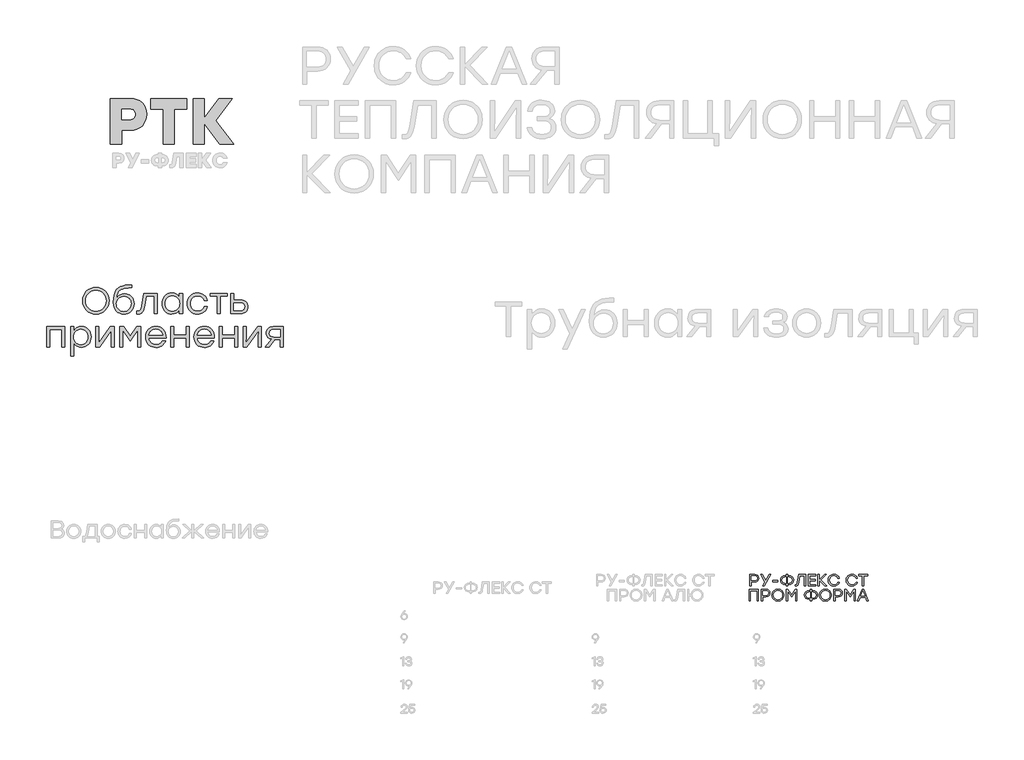
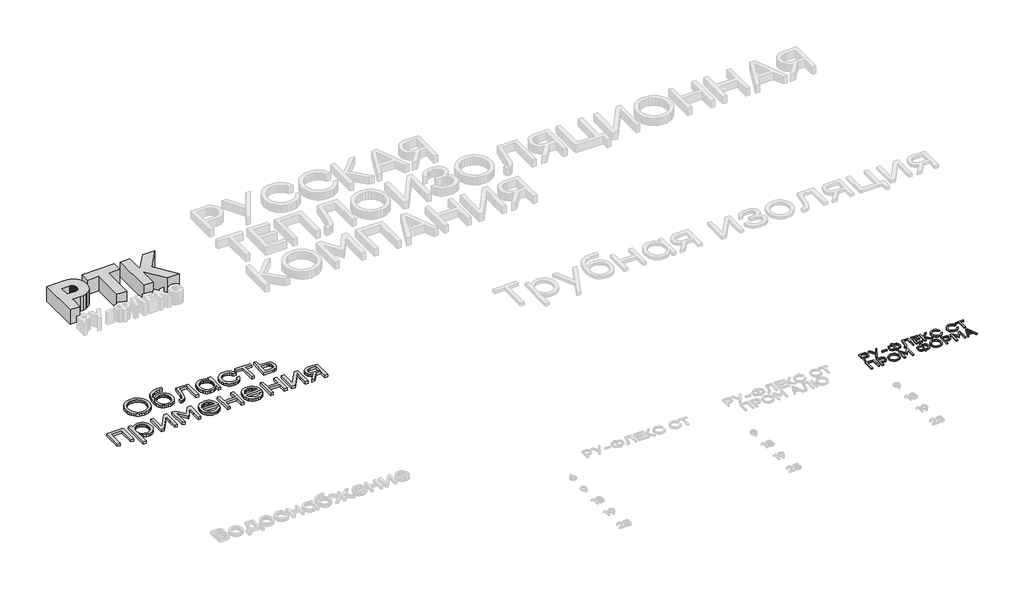
# One storey, part 33 of 41: 3 proxies.
"""IFC4 building model written with IfcOpenShell, lengths in millimetres."""

from ifc_helpers import new_model, si_unit, origin, origin_with_axes, place, context, project, spatial, polyline, outline, extrude, element, save

model = new_model("IFC4")

# Units and contexts
model_context = context("Model", 3, world=origin())
ifc_project = project(units=[si_unit("LENGTHUNIT", "METRE", prefix="MILLI")], contexts=[model_context])

# Site, building, storey
site = spatial("IfcSite", under=ifc_project)
building = spatial("IfcBuilding", under=site)
storey = spatial("IfcBuildingStorey", under=building, Elevation=0.0)

# Proxies
placement = place(None, origin())
element("IfcBuildingElementProxy", 1, Name="Generic Models", at=placement, inside=storey, context=model_context, shape_type="SweptSolid", body=[
    extrude(outline(polyline([(1957.0645262, -1764.400864), (2018.6927512, -1768.8740421), (2073.9154386, -1782.2935764), (2122.7325885, -1804.6594669), (2165.1442009, -1835.9717136), (2199.451939, -1875.3811481), (2223.9574663, -1922.0386022), (2238.6607826, -1975.9440758), (2243.5618881, -2037.0975688), (2238.6273508, -2098.398162), (2223.823739, -2152.7449356), (2199.1510526, -2200.1378898), (2164.6092917, -2240.5770245), (2122.0305202, -2272.9189714), (2073.2468021, -2296.020362), (2018.2581374, -2309.8811964), (1957.0645262, -2314.5014745), (1809.4295899, -2314.5014745), (1809.4295899, -2559.9178107), (1616.2203906, -2559.9178107), (1616.2203906, -1764.400864), (1957.0645262, -1764.400864)]), holes=[polyline([(1949.1478702, -2130.2787497), (1972.3161244, -2128.8578971), (1992.3952781, -2124.5953395), (2009.3853313, -2117.4910768), (2023.2862838, -2107.5451091), (2034.0981358, -2094.7574363), (2041.8208872, -2079.1280584), (2046.4545381, -2060.6569755), (2047.9990884, -2039.3441874), (2046.4545381, -2018.0313994), (2041.8208872, -1999.5603165), (2034.0981358, -1983.9309386), (2023.2862838, -1971.1432658), (2009.3853313, -1961.197298), (1992.3952781, -1954.0930354), (1972.3161244, -1949.8304778), (1949.1478702, -1948.4096252), (1809.4295899, -1948.4096252), (1809.4295899, -2130.2787497), (1949.1478702, -2130.2787497)])]), origin_with_axes(), (0.0, 0.0, 1.0), 300.0),
    extrude(outline(polyline([(2944.50689, -1764.400864), (2944.50689, -1948.4096252), (2727.3337591, -1948.4096252), (2727.3337591, -2559.9178107), (2534.1245598, -2559.9178107), (2534.1245598, -1948.4096252), (2318.2352109, -1948.4096252), (2318.2352109, -1764.400864), (2944.50689, -1764.400864)])), origin_with_axes(), (0.0, 0.0, 1.0), 300.0),
    extrude(outline(polyline([(3754.1454393, -2559.9178107), (3513.2223403, -2559.9178107), (3247.2654913, -2199.6029806), (3247.2654913, -2559.9178107), (3054.056292, -2559.9178107), (3054.056292, -1764.400864), (3247.2654913, -1764.400864), (3247.2654913, -2103.1053628), (3496.1052462, -1764.400864), (3733.6049264, -1764.400864), (3447.3215282, -2148.4656621), (3754.1454393, -2559.9178107)])), origin_with_axes(), (0.0, 0.0, 1.0), 300.0),
])
element("IfcBuildingElementProxy", 2, Name="Generic Models", at=placement, inside=storey, context=model_context, shape_type="SweptSolid", body=[
    extrude(outline(polyline([(12798.8193521, -10031.3740126), (12827.8384239, -10035.8384851), (12849.7035818, -10049.2319029), (12863.4197325, -10069.6851041), (12867.9917827, -10095.328927), (12863.3793909, -10121.3627189), (12849.5422153, -10142.2327836), (12827.6367158, -10155.9489343), (12798.8193521, -10160.5209845), (12742.2335069, -10160.5209845), (12742.2335069, -10231.3608687), (12718.5126345, -10231.3608687), (12718.5126345, -10031.3740126), (12798.8193521, -10031.3740126)]), holes=[polyline([(12797.9587309, -10137.9296774), (12817.8269786, -10134.9309504), (12832.2491077, -10125.9347692), (12841.02341, -10112.3665378), (12843.9481774, -10095.65166), (12841.02341, -10079.0040182), (12832.2491077, -10065.6374949), (12817.8269786, -10056.8430218), (12797.9587309, -10053.9115308), (12742.2335069, -10053.9115308), (12742.2335069, -10137.9296774), (12797.9587309, -10137.9296774)])]), origin_with_axes(), (0.0, 0.0, 1.0), 20.0),
    extrude(outline(polyline([(13077.0151617, -10031.3740126), (12963.89726, -10231.3608687), (12937.0566357, -10231.3608687), (12978.474032, -10158.7997421), (12905.5901723, -10031.3740126), (12932.4845855, -10031.3740126), (12991.5985056, -10133.3576272), (13050.4434815, -10031.3740126), (13077.0151617, -10031.3740126)])), origin_with_axes(), (0.0, 0.0, 1.0), 20.0),
    extrude(outline(polyline([(13203.58027, -10133.9493043), (13203.58027, -10156.4868225), (13110.9559111, -10156.4868225), (13110.9559111, -10133.9493043), (13203.58027, -10133.9493043)])), origin_with_axes(), (0.0, 0.0, 1.0), 20.0),
    extrude(outline(polyline([(13394.1540816, -10053.9115308), (13425.8020823, -10059.0214693), (13451.5736537, -10074.3512848), (13461.5632472, -10085.4536347), (13468.6986712, -10098.3209305), (13474.4070104, -10129.3503597), (13468.7322892, -10160.3797888), (13461.6388878, -10173.2470846), (13451.7081257, -10184.3494345), (13425.9701723, -10199.67925), (13394.1540816, -10204.7891885), (13374.4135823, -10204.7891885), (13374.4135823, -10231.3608687), (13350.6927099, -10231.3608687), (13350.6927099, -10204.7891885), (13330.7370554, -10204.7891885), (13298.880623, -10199.67925), (13273.1292224, -10184.3494345), (13263.1984604, -10173.2470846), (13256.1050589, -10160.3797888), (13250.4303377, -10129.3503597), (13256.1454005, -10098.3209305), (13263.289229, -10085.4536347), (13273.2905889, -10074.3512848), (13299.0823311, -10059.0214693), (13330.7370554, -10053.9115308), (13350.6927099, -10053.9115308), (13350.6927099, -10031.3740126), (13374.4135823, -10031.3740126), (13374.4135823, -10053.9115308), (13394.1540816, -10053.9115308)]), holes=[polyline([(13394.1540816, -10182.1978815), (13416.7588358, -10178.7352258), (13434.8722231, -10168.3472587), (13446.7730009, -10151.6727226), (13450.7399268, -10129.3503597), (13446.7730009, -10107.0279967), (13434.8722231, -10090.3534606), (13416.7588358, -10079.9654935), (13394.1540816, -10076.5028378), (13374.4135823, -10076.5028378), (13374.4135823, -10182.1978815), (13394.1540816, -10182.1978815)]), polyline([(13330.7370554, -10182.1978815), (13350.6927099, -10182.1978815), (13350.6927099, -10076.5028378), (13330.7370554, -10076.5028378), (13308.3340092, -10079.9654935), (13290.287858, -10090.3534606), (13278.3870802, -10107.0279967), (13274.4201542, -10129.3503597), (13278.3467386, -10151.6727226), (13290.1264915, -10168.3472587), (13308.1323011, -10178.7352258), (13330.7370554, -10182.1978815)])]), origin_with_axes(), (0.0, 0.0, 1.0), 20.0),
    extrude(outline(polyline([(13564.0729839, -10031.3740126), (13684.3447995, -10031.3740126), (13684.3447995, -10231.3608687), (13660.6239271, -10231.3608687), (13660.6239271, -10053.9115308), (13584.0286384, -10053.9115308), (13564.9336051, -10170.2029732), (13557.83348, -10200.2238619), (13548.0439136, -10219.9307431), (13534.8387568, -10230.8431513), (13517.4918603, -10234.4806207), (13501.785523, -10233.6199994), (13501.785523, -10211.9431024), (13512.91981, -10212.4809907), (13523.6170629, -10210.1949656), (13531.1811166, -10203.3368902), (13541.4816768, -10168.8044637), (13564.0729839, -10031.3740126)])), origin_with_axes(), (0.0, 0.0, 1.0), 20.0),
    extrude(outline(polyline([(13860.9335162, -10053.9115308), (13757.7665474, -10053.9115308), (13757.7665474, -10117.3823458), (13854.0485464, -10117.3823458), (13854.0485464, -10139.919864), (13757.7665474, -10139.919864), (13757.7665474, -10208.7695617), (13860.9335162, -10208.7695617), (13860.9335162, -10231.3608687), (13734.045675, -10231.3608687), (13734.045675, -10031.3740126), (13860.9335162, -10031.3740126), (13860.9335162, -10053.9115308)])), origin_with_axes(), (0.0, 0.0, 1.0), 20.0),
    extrude(outline(polyline([(14047.5807434, -10231.3608687), (14017.0286901, -10231.3608687), (13923.0058217, -10134.2182484), (13923.0058217, -10231.3608687), (13899.2849493, -10231.3608687), (13899.2849493, -10031.3740126), (13923.0058217, -10031.3740126), (13923.0058217, -10125.074148), (14013.9089382, -10031.3740126), (14044.1920474, -10031.3740126), (13949.5775019, -10129.3772541), (14047.5807434, -10231.3608687)])), origin_with_axes(), (0.0, 0.0, 1.0), 20.0),
    extrude(outline(polyline([(14176.6201377, -10234.4806207), (14155.4222975, -10232.6417152), (14136.0969807, -10227.1249987), (14118.6441875, -10217.9304712), (14103.0639178, -10205.0581327), (14090.2504108, -10189.4173505), (14081.0979058, -10171.9174921), (14075.6064028, -10152.5585573), (14073.7759018, -10131.3405462), (14075.6064028, -10110.1225352), (14081.0979058, -10090.7636004), (14090.2504108, -10073.2637419), (14103.0639178, -10057.6229598), (14118.6441875, -10044.7506213), (14136.0969807, -10035.5560938), (14155.4222975, -10030.0393773), (14176.6201377, -10028.2004718), (14208.1000483, -10032.738904), (14235.6264802, -10046.3542007), (14257.3706132, -10067.6075107), (14271.5036273, -10095.0599829), (14246.0615125, -10095.0599829), (14234.5977689, -10076.8524652), (14218.494739, -10062.7866871), (14198.7475161, -10053.7905059), (14176.3511936, -10050.7917788), (14145.4495129, -10056.5404597), (14120.1956589, -10073.7865021), (14103.3732035, -10099.6790983), (14097.7657184, -10131.3674406), (14103.3732035, -10163.0557829), (14120.1956589, -10188.9483792), (14145.4495129, -10206.1944216), (14176.3511936, -10211.9431024), (14198.7475161, -10208.9443754), (14218.494739, -10199.9481942), (14234.5977689, -10185.8689689), (14246.0615125, -10167.6211096), (14271.5036273, -10167.6211096), (14257.3706132, -10195.1071998), (14235.6264802, -10216.3537862), (14208.1000483, -10229.948912), (14176.6201377, -10234.4806207)])), origin_with_axes(), (0.0, 0.0, 1.0), 20.0),
    extrude(outline(polyline([(14489.8862621, -10234.4806207), (14468.6884218, -10232.6417152), (14449.3631051, -10227.1249987), (14431.9103118, -10217.9304712), (14416.3300421, -10205.0581327), (14403.5165352, -10189.4173505), (14394.3640302, -10171.9174921), (14388.8725272, -10152.5585573), (14387.0420262, -10131.3405462), (14388.8725272, -10110.1225352), (14394.3640302, -10090.7636004), (14403.5165352, -10073.2637419), (14416.3300421, -10057.6229598), (14431.9103118, -10044.7506213), (14449.3631051, -10035.5560938), (14468.6884218, -10030.0393773), (14489.8862621, -10028.2004718), (14521.3661727, -10032.738904), (14548.8926045, -10046.3542007), (14570.6367376, -10067.6075107), (14584.7697517, -10095.0599829), (14559.3276368, -10095.0599829), (14547.8638932, -10076.8524652), (14531.7608634, -10062.7866871), (14512.0136405, -10053.7905059), (14489.617318, -10050.7917788), (14458.7156372, -10056.5404597), (14433.4617833, -10073.7865021), (14416.6393279, -10099.6790983), (14411.0318427, -10131.3674406), (14416.6393279, -10163.0557829), (14433.4617833, -10188.9483792), (14458.7156372, -10206.1944216), (14489.617318, -10211.9431024), (14512.0136405, -10208.9443754), (14531.7608634, -10199.9481942), (14547.8638932, -10185.8689689), (14559.3276368, -10167.6211096), (14584.7697517, -10167.6211096), (14570.6367376, -10195.1071998), (14548.8926045, -10216.3537862), (14521.3661727, -10229.948912), (14489.8862621, -10234.4806207)])), origin_with_axes(), (0.0, 0.0, 1.0), 20.0),
    extrude(outline(polyline([(14759.6910148, -10031.3740126), (14759.6910148, -10053.9115308), (14695.0906344, -10053.9115308), (14695.0906344, -10231.3608687), (14671.1008179, -10231.3608687), (14671.1008179, -10053.9115308), (14606.8231705, -10053.9115308), (14606.8231705, -10031.3740126), (14759.6910148, -10031.3740126)])), origin_with_axes(), (0.0, 0.0, 1.0), 20.0),
    extrude(outline(polyline([(12866.4856956, -10289.8962556), (12866.4856956, -10489.8831117), (12842.7648232, -10489.8831117), (12842.7648232, -10312.4337738), (12726.7423249, -10312.4337738), (12726.7423249, -10489.8831117), (12703.0214525, -10489.8831117), (12703.0214525, -10289.8962556), (12726.7423249, -10289.8962556), (12866.4856956, -10289.8962556)])), origin_with_axes(), (0.0, 0.0, 1.0), 20.0),
    extrude(outline(polyline([(12996.7622329, -10289.8962556), (13025.7813047, -10294.3607281), (13047.6464626, -10307.7541459), (13061.3626133, -10328.2073471), (13065.9346635, -10353.85117), (13061.3222717, -10379.884962), (13047.4850961, -10400.7550266), (13025.5795966, -10414.4711773), (12996.7622329, -10419.0432275), (12940.1763876, -10419.0432275), (12940.1763876, -10489.8831117), (12916.4555152, -10489.8831117), (12916.4555152, -10289.8962556), (12996.7622329, -10289.8962556)]), holes=[polyline([(12995.9016117, -10396.4519205), (13015.7698594, -10393.4531934), (13030.1919884, -10384.4570122), (13038.9662907, -10370.8887808), (13041.8910582, -10354.173903), (13038.9662907, -10337.5262613), (13030.1919884, -10324.1597379), (13015.7698594, -10315.3652648), (12995.9016117, -10312.4337738), (12940.1763876, -10312.4337738), (12940.1763876, -10396.4519205), (12995.9016117, -10396.4519205)])]), origin_with_axes(), (0.0, 0.0, 1.0), 20.0),
    extrude(outline(polyline([(13130.5350439, -10316.3065693), (13146.328788, -10303.3636329), (13163.8572218, -10294.1186784), (13183.1203452, -10288.5717057), (13204.1181583, -10286.7227148), (13225.0974814, -10288.5717057), (13244.3051351, -10294.1186784), (13261.7411193, -10303.3636329), (13277.4054341, -10316.3065693), (13290.3366041, -10331.9994593), (13299.5731541, -10349.4942751), (13305.1150842, -10368.7910165), (13306.9623942, -10389.8896837), (13305.1049987, -10410.9866699), (13299.5328125, -10430.2783686), (13290.2458355, -10447.7647798), (13277.2440676, -10463.4459036), (13261.5108359, -10476.3770736), (13244.0294674, -10485.6136237), (13224.799962, -10491.1555537), (13203.8223197, -10493.0028637), (13182.8446775, -10491.1555537), (13163.6151721, -10485.6136237), (13146.1338035, -10476.3770736), (13130.4005718, -10463.4459036), (13117.398804, -10447.7647798), (13108.1118269, -10430.2783686), (13102.5396407, -10410.9866699), (13100.6822453, -10389.8896837), (13102.5480452, -10368.7910165), (13108.145445, -10349.4942751), (13117.4744445, -10331.9994593), (13130.5350439, -10316.3065693)]), holes=[polyline([(13203.8492141, -10309.3140219), (13173.0416639, -10315.0963207), (13147.532313, -10332.4432172), (13130.3871246, -10358.3627078), (13124.6720618, -10389.8627892), (13130.3871246, -10421.3695942), (13147.532313, -10447.3092557), (13173.0416639, -10464.676323), (13203.8492141, -10470.4653454), (13234.8181309, -10464.7166646), (13260.2736929, -10447.4706222), (13277.2978565, -10421.5780259), (13282.9725776, -10389.8896837), (13277.2978565, -10358.2013414), (13260.2736929, -10332.3087451), (13234.8181309, -10315.0627027), (13203.8492141, -10309.3140219)])]), origin_with_axes(), (0.0, 0.0, 1.0), 20.0),
    extrude(outline(polyline([(13504.7976973, -10289.8962556), (13533.9512411, -10289.8962556), (13533.9512411, -10489.8831117), (13510.2303687, -10489.8831117), (13510.2303687, -10320.4483089), (13442.5102364, -10422.7546565), (13440.2511057, -10422.7546565), (13372.5309734, -10320.4483089), (13372.5309734, -10489.8831117), (13348.810101, -10489.8831117), (13348.810101, -10289.8962556), (13377.9636449, -10289.8962556), (13441.3806711, -10385.3176334), (13504.7976973, -10289.8962556)])), origin_with_axes(), (0.0, 0.0, 1.0), 20.0),
    extrude(outline(polyline([(13808.97351, -10312.4337738), (13840.6215107, -10317.5437123), (13866.3930821, -10332.8735278), (13876.3826756, -10343.9758777), (13883.5180996, -10356.8431735), (13889.2264388, -10387.8726027), (13883.5517176, -10418.9020318), (13876.4583162, -10431.7693276), (13866.5275541, -10442.8716776), (13840.7896007, -10458.201493), (13808.97351, -10463.3114315), (13789.2330107, -10463.3114315), (13789.2330107, -10489.8831117), (13765.5121383, -10489.8831117), (13765.5121383, -10463.3114315), (13745.5564838, -10463.3114315), (13713.7000514, -10458.201493), (13687.9486508, -10442.8716776), (13678.0178888, -10431.7693276), (13670.9244873, -10418.9020318), (13665.2497661, -10387.8726027), (13670.9648289, -10356.8431735), (13678.1086574, -10343.9758777), (13688.1100173, -10332.8735278), (13713.9017595, -10317.5437123), (13745.5564838, -10312.4337738), (13765.5121383, -10312.4337738), (13765.5121383, -10289.8962556), (13789.2330107, -10289.8962556), (13789.2330107, -10312.4337738), (13808.97351, -10312.4337738)]), holes=[polyline([(13745.5564838, -10440.7201245), (13765.5121383, -10440.7201245), (13765.5121383, -10335.0250808), (13745.5564838, -10335.0250808), (13723.1534376, -10338.4877365), (13705.1072864, -10348.8757036), (13693.2065086, -10365.5502398), (13689.2395826, -10387.8726027), (13693.166167, -10410.1949656), (13704.9459199, -10426.8695017), (13722.9517295, -10437.2574688), (13745.5564838, -10440.7201245)]), polyline([(13808.97351, -10440.7201245), (13831.5782642, -10437.2574688), (13849.6916515, -10426.8695017), (13861.5924293, -10410.1949656), (13865.5593553, -10387.8726027), (13861.5924293, -10365.5502398), (13849.6916515, -10348.8757036), (13831.5782642, -10338.4877365), (13808.97351, -10335.0250808), (13789.2330107, -10335.0250808), (13789.2330107, -10440.7201245), (13808.97351, -10440.7201245)])]), origin_with_axes(), (0.0, 0.0, 1.0), 20.0),
    extrude(outline(polyline([(13953.2889309, -10316.3065693), (13969.0826751, -10303.3636329), (13986.6111088, -10294.1186784), (14005.8742322, -10288.5717057), (14026.8720453, -10286.7227148), (14047.8513685, -10288.5717057), (14067.0590222, -10294.1186784), (14084.4950064, -10303.3636329), (14100.1593211, -10316.3065693), (14113.0904912, -10331.9994593), (14122.3270412, -10349.4942751), (14127.8689712, -10368.7910165), (14129.7162812, -10389.8896837), (14127.8588858, -10410.9866699), (14122.2866996, -10430.2783686), (14112.9997225, -10447.7647798), (14099.9979547, -10463.4459036), (14084.264723, -10476.3770736), (14066.7833544, -10485.6136237), (14047.553849, -10491.1555537), (14026.5762068, -10493.0028637), (14005.5985645, -10491.1555537), (13986.3690591, -10485.6136237), (13968.8876906, -10476.3770736), (13953.1544589, -10463.4459036), (13940.152691, -10447.7647798), (13930.865714, -10430.2783686), (13925.2935278, -10410.9866699), (13923.4361323, -10389.8896837), (13925.3019323, -10368.7910165), (13930.899332, -10349.4942751), (13940.2283316, -10331.9994593), (13953.2889309, -10316.3065693)]), holes=[polyline([(14026.6031012, -10309.3140219), (13995.7955509, -10315.0963207), (13970.2862001, -10332.4432172), (13953.1410117, -10358.3627078), (13947.4259489, -10389.8627892), (13953.1410117, -10421.3695942), (13970.2862001, -10447.3092557), (13995.7955509, -10464.676323), (14026.6031012, -10470.4653454), (14057.5720179, -10464.7166646), (14083.02758, -10447.4706222), (14100.0517435, -10421.5780259), (14105.7264647, -10389.8896837), (14100.0517435, -10358.2013414), (14083.02758, -10332.3087451), (14057.5720179, -10315.0627027), (14026.6031012, -10309.3140219)])]), origin_with_axes(), (0.0, 0.0, 1.0), 20.0),
    extrude(outline(polyline([(14253.2692152, -10289.8962556), (14282.288287, -10294.3607281), (14304.1534449, -10307.7541459), (14317.8695956, -10328.2073471), (14322.4416458, -10353.85117), (14317.829254, -10379.884962), (14303.9920784, -10400.7550266), (14282.0865789, -10414.4711773), (14253.2692152, -10419.0432275), (14196.6833699, -10419.0432275), (14196.6833699, -10489.8831117), (14172.9624975, -10489.8831117), (14172.9624975, -10289.8962556), (14253.2692152, -10289.8962556)]), holes=[polyline([(14252.408594, -10396.4519205), (14272.2768417, -10393.4531934), (14286.6989707, -10384.4570122), (14295.473273, -10370.8887808), (14298.3980405, -10354.173903), (14295.473273, -10337.5262613), (14286.6989707, -10324.1597379), (14272.2768417, -10315.3652648), (14252.408594, -10312.4337738), (14196.6833699, -10312.4337738), (14196.6833699, -10396.4519205), (14252.408594, -10396.4519205)])]), origin_with_axes(), (0.0, 0.0, 1.0), 20.0),
    extrude(outline(polyline([(14520.3307378, -10289.8962556), (14549.4842816, -10289.8962556), (14549.4842816, -10489.8831117), (14525.7634092, -10489.8831117), (14525.7634092, -10320.4483089), (14458.0432769, -10422.7546565), (14455.7841462, -10422.7546565), (14388.0640139, -10320.4483089), (14388.0640139, -10489.8831117), (14364.3431415, -10489.8831117), (14364.3431415, -10289.8962556), (14393.4966854, -10289.8962556), (14456.9137116, -10385.3176334), (14520.3307378, -10289.8962556)])), origin_with_axes(), (0.0, 0.0, 1.0), 20.0),
    extrude(outline(polyline([(14749.8476596, -10489.8831117), (14726.1267872, -10429.8547816), (14633.287273, -10429.8547816), (14609.5664006, -10489.8831117), (14584.4470187, -10489.8831117), (14664.4310034, -10289.8962556), (14694.9830568, -10289.8962556), (14775.0208303, -10489.8831117), (14749.8476596, -10489.8831117)]), holes=[polyline([(14642.4313735, -10407.3172634), (14717.3054197, -10407.3172634), (14679.8683966, -10312.4337738), (14642.4313735, -10407.3172634)])]), origin_with_axes(), (0.0, 0.0, 1.0), 20.0),
])
element("IfcBuildingElementProxy", 3, Name="Generic Models", at=placement, inside=storey, context=model_context, shape_type="SweptSolid", body=[
    extrude(outline(polyline([(1199.50313, -5112.3094048), (1234.8422399, -5083.3490869), (1274.0627846, -5062.6631456), (1317.1647642, -5050.2515808), (1364.1481785, -5046.1143926), (1411.090221, -5050.2515808), (1454.0680849, -5062.6631456), (1493.0817702, -5083.3490869), (1528.1312769, -5112.3094048), (1557.0652672, -5147.4228499), (1577.7324031, -5186.568173), (1590.1326847, -5229.7453741), (1594.2661119, -5276.9544533), (1590.1101182, -5324.1597714), (1577.6421372, -5367.3256893), (1556.8621689, -5406.452207), (1527.7702132, -5441.5393245), (1492.5665022, -5470.4733148), (1453.4512677, -5491.1404507), (1410.4245098, -5503.5407323), (1363.4862284, -5507.6741595), (1316.547947, -5503.5407323), (1273.5211891, -5491.1404507), (1234.4059546, -5470.4733148), (1199.2022436, -5441.5393245), (1170.1102879, -5406.452207), (1149.3303196, -5367.3256893), (1136.8623386, -5324.1597714), (1132.706345, -5276.9544533), (1136.881144, -5229.7453741), (1149.4055412, -5186.568173), (1170.2795365, -5147.4228499), (1199.50313, -5112.3094048)]), holes=[polyline([(1363.5464057, -5096.663311), (1327.5980008, -5099.89784), (1294.6133271, -5109.601427), (1264.5923846, -5125.774072), (1237.5351734, -5148.415775), (1215.1567459, -5175.8528554), (1199.1721549, -5206.4116323), (1189.5814003, -5240.0921059), (1186.3844821, -5276.894276), (1189.5814003, -5313.7002072), (1199.1721549, -5347.391964), (1215.1567459, -5377.9695463), (1237.5351734, -5405.4329542), (1264.5923846, -5428.1009848), (1294.6133271, -5444.2924353), (1327.5980008, -5454.0073055), (1363.5464057, -5457.2455956), (1399.7355197, -5454.029872), (1432.840548, -5444.3827012), (1462.8614905, -5428.3040832), (1489.7983471, -5405.7940179), (1512.0188092, -5378.4472035), (1527.8905678, -5347.8583379), (1537.413623, -5314.0274212), (1540.5879747, -5276.9544533), (1537.413623, -5239.8814854), (1527.8905678, -5206.0505686), (1512.0188092, -5175.461703), (1489.7983471, -5148.1148886), (1462.8614905, -5125.6048234), (1432.840548, -5109.5262054), (1399.7355197, -5099.8790346), (1363.5464057, -5096.663311)])]), origin_with_axes(), (0.0, 0.0, 1.0), 50.0),
    extrude(outline(polyline([(1864.3417616, -5154.7945671), (1897.9695801, -5157.7733427), (1928.5659678, -5166.7096693), (1956.1309249, -5181.6035471), (1980.6644513, -5202.4549759), (2000.8050359, -5228.0604102), (2015.1911679, -5257.2163042), (2023.822847, -5289.922658), (2026.7000734, -5326.1794715), (2023.5257217, -5364.5612953), (2014.0026665, -5399.189561), (1998.1309079, -5430.0642687), (1975.9104458, -5457.1854183), (1948.8908454, -5479.2742426), (1918.6216717, -5495.0519742), (1885.1029246, -5504.5186131), (1848.3346041, -5507.6741595), (1811.2842027, -5504.3606478), (1777.5209854, -5494.4201127), (1747.0449522, -5477.8525542), (1719.8561032, -5454.6579724), (1697.4588704, -5425.3478741), (1681.3576859, -5390.4337663), (1671.5525497, -5349.9156488), (1668.0434618, -5303.7935219), (1671.5638329, -5233.2356566), (1682.1249462, -5173.6902343), (1698.7639652, -5124.8563684), (1720.5180533, -5086.4331727), (1749.0571302, -5056.7206388), (1786.0511154, -5034.0187585), (1828.4761005, -5017.9363794), (1873.3081769, -5008.0823492), (1924.2933807, -5003.0274573), (1985.1777476, -5001.3424934), (1985.1777476, -5051.289639), (1922.4278849, -5053.1250461), (1872.3453404, -5058.6312676), (1830.9734578, -5069.2525582), (1794.3555806, -5086.4331727), (1764.5979137, -5111.0456818), (1743.8066622, -5143.962656), (1730.4623495, -5186.4779071), (1723.0454992, -5239.8852465), (1733.817233, -5220.6021881), (1746.9960582, -5203.6735659), (1762.5819747, -5189.09938), (1780.5749826, -5176.8796303), (1820.7132309, -5160.3158329), (1864.3417616, -5154.7945671)]), holes=[polyline([(1756.8651327, -5424.9905715), (1775.6893393, -5441.0503841), (1796.8980708, -5452.5216788), (1820.4913271, -5459.4044557), (1846.4691083, -5461.6987146), (1872.5183501, -5459.4006946), (1896.325988, -5452.5066345), (1917.8920221, -5441.0165344), (1937.2164524, -5424.9303942), (1953.1446272, -5405.1283067), (1964.5218949, -5382.4903648), (1971.3482555, -5357.0165683), (1973.6237091, -5328.7069174), (1971.4874155, -5301.5857678), (1965.0785348, -5277.1500295), (1954.3970669, -5255.3997024), (1939.4430119, -5236.3347867), (1921.1716841, -5220.8278529), (1900.5383979, -5209.7514716), (1877.5431533, -5203.1056428), (1852.1859503, -5200.8903665), (1826.3021961, -5203.1056428), (1802.3290707, -5209.7514716), (1780.266574, -5220.8278529), (1760.1147061, -5236.3347867), (1743.3177217, -5255.3620916), (1731.3198758, -5276.9995862), (1724.1211682, -5301.2472705), (1721.721599, -5328.1051445), (1723.9180698, -5356.6818322), (1730.5074824, -5382.3549659), (1741.4898367, -5405.1245457), (1756.8651327, -5424.9905715)])]), origin_with_axes(), (0.0, 0.0, 1.0), 50.0),
    extrude(outline(polyline([(2192.7893767, -5149.0175479), (2431.8135481, -5149.0175479), (2431.8135481, -5500.6935945), (2378.7371837, -5500.6935945), (2378.7371837, -5198.9646935), (2237.4409213, -5198.9646935), (2211.3239802, -5363.8504511), (2195.1964681, -5430.1959065), (2184.6955321, -5455.0867356), (2172.5698094, -5474.4562988), (2158.5710687, -5488.9891128), (2142.4510788, -5499.3696943), (2124.2098397, -5505.5980432), (2103.8473513, -5507.6741595), (2075.0826096, -5505.7484864), (2075.0826096, -5457.2455956), (2093.617213, -5458.4491413), (2117.7934368, -5453.2588506), (2135.1997161, -5437.6879784), (2148.1227878, -5408.0657104), (2158.8493887, -5360.7212324), (2192.7893767, -5149.0175479)])), origin_with_axes(), (0.0, 0.0, 1.0), 50.0),
    extrude(outline(polyline([(2815.2632006, -5149.0175479), (2868.2192103, -5149.0175479), (2868.2192103, -5500.6935945), (2815.2632006, -5500.6935945), (2815.2632006, -5429.6843996), (2790.6657358, -5462.2252658), (2759.2381493, -5486.9129965), (2721.913189, -5502.4838687), (2679.6236028, -5507.6741595), (2645.3977727, -5504.4584359), (2614.3312499, -5494.811265), (2586.4240345, -5478.732647), (2561.6761266, -5456.2225818), (2541.4039041, -5428.717802), (2526.9237452, -5397.6550403), (2518.2356498, -5363.0342967), (2515.339618, -5324.8555712), (2518.2356498, -5286.6768457), (2526.9237452, -5252.0561021), (2541.4039041, -5220.9933404), (2561.6761266, -5193.4885606), (2586.4240345, -5170.9784954), (2614.3312499, -5154.8998774), (2645.3977727, -5145.2527066), (2679.6236028, -5142.036983), (2722.003455, -5147.3175396), (2759.599213, -5163.1592096), (2791.1170654, -5188.2681813), (2815.2632006, -5221.350643), (2815.2632006, -5149.0175479)]), holes=[polyline([(2689.8537411, -5457.2455956), (2715.8916996, -5454.9062037), (2739.6053105, -5447.888028), (2760.9945738, -5436.1910684), (2780.0594895, -5419.8153251), (2795.7243887, -5399.843989), (2806.9136024, -5377.3602513), (2813.6271307, -5352.3641121), (2815.8649734, -5324.8555712), (2813.6271307, -5297.3507914), (2806.9136024, -5272.3659354), (2795.7243887, -5249.9010031), (2780.0594895, -5229.9559946), (2760.9945738, -5213.6065788), (2739.6053105, -5201.9284247), (2715.8916996, -5194.9215322), (2689.8537411, -5192.5859014), (2664.2708733, -5194.9215322), (2641.2004071, -5201.9284247), (2620.6423425, -5213.6065788), (2602.5966796, -5229.9559946), (2587.9059001, -5249.9010031), (2577.4124863, -5272.3659354), (2571.116438, -5297.3507914), (2569.0177552, -5324.8555712), (2571.1390044, -5352.6574763), (2577.5027522, -5377.811581), (2588.1089985, -5400.3178851), (2602.9577433, -5420.1763888), (2621.1162387, -5436.3941668), (2641.6517368, -5447.9782939), (2664.5642376, -5454.9287702), (2689.8537411, -5457.2455956)])]), origin_with_axes(), (0.0, 0.0, 1.0), 50.0),
    extrude(outline(polyline([(3128.305431, -5507.6741595), (3091.1910912, -5504.420825), (3057.2360588, -5494.6608218), (3026.4403338, -5478.3941498), (2998.8039162, -5455.620809), (2976.0042478, -5427.9317362), (2959.7187704, -5396.9178686), (2949.9474839, -5362.579206), (2946.6903884, -5324.9157485), (2949.9474839, -5287.2485299), (2959.7187704, -5252.8985841), (2976.0042478, -5221.865911), (2998.8039162, -5194.1505107), (3026.4403338, -5171.3508423), (3057.2360588, -5155.0653649), (3091.1910912, -5145.2940784), (3128.305431, -5142.036983), (3158.6460653, -5144.2334538), (3187.083593, -5150.8228664), (3213.6180141, -5161.8052207), (3238.2493286, -5177.1805167), (3259.8040794, -5196.27176), (3277.1088096, -5218.4019561), (3290.1635191, -5243.5711051), (3298.9682079, -5271.7792069), (3243.9661705, -5271.7792069), (3227.0262651, -5238.5463019), (3200.5181716, -5212.9860006), (3166.8188927, -5196.693001), (3128.305431, -5191.2620011), (3101.7183548, -5193.6201984), (3077.5609364, -5200.6947904), (3055.8331759, -5212.4857769), (3036.5350732, -5228.9931581), (3020.7122086, -5249.1375038), (3009.4101625, -5271.8393842), (3002.6289348, -5297.098799), (3000.3685256, -5324.9157485), (3002.6289348, -5352.7289369), (3009.4101625, -5377.9770685), (3020.7122086, -5400.6601434), (3036.5350732, -5420.7781616), (3055.8331759, -5437.2592152), (3077.5609364, -5449.0313964), (3101.7183548, -5456.0947051), (3128.305431, -5458.4491413), (3166.7436711, -5453.0181414), (3200.2172852, -5436.7251418), (3226.6501571, -5411.1648405), (3243.9661705, -5377.9319355), (3298.9682079, -5377.9319355), (3289.8513494, -5406.3845075), (3276.5822583, -5431.6852943), (3259.1609347, -5453.8342958), (3237.5873784, -5472.8315121), (3213.0200023, -5488.0751703), (3186.617219, -5498.9634976), (3158.3790286, -5505.496494), (3128.305431, -5507.6741595)])), origin_with_axes(), (0.0, 0.0, 1.0), 50.0),
    extrude(outline(polyline([(3642.0990803, -5149.0175479), (3642.0990803, -5198.9646935), (3520.540967, -5198.9646935), (3520.540967, -5500.6935945), (3467.4646026, -5500.6935945), (3467.4646026, -5198.9646935), (3346.0268439, -5198.9646935), (3346.0268439, -5149.0175479), (3520.540967, -5149.0175479), (3642.0990803, -5149.0175479)])), origin_with_axes(), (0.0, 0.0, 1.0), 50.0),
    extrude(outline(polyline([(3874.8648141, -5265.4004148), (3903.1368542, -5267.2207776), (3927.8960455, -5272.6818661), (3949.1423877, -5281.7836803), (3966.8758811, -5294.5262202), (3980.8558163, -5310.8643527), (3990.8414843, -5330.752945), (3996.8328852, -5354.1919971), (3998.8300188, -5381.1815089), (3996.7539025, -5407.9942499), (3990.5255536, -5431.625117), (3980.1449721, -5452.0741103), (3965.6121581, -5469.3412297), (3947.3182638, -5483.0578893), (3925.6544416, -5492.8555033), (3900.6206916, -5498.7340717), (3872.2170136, -5500.6935945), (3707.9330288, -5500.6935945), (3707.9330288, -5149.0175479), (3761.0093931, -5149.0175479), (3761.0093931, -5265.4004148), (3874.8648141, -5265.4004148)]), holes=[polyline([(3871.0134679, -5450.1446761), (3903.4490239, -5445.8344782), (3926.6172782, -5432.9038843), (3940.5182307, -5411.3528945), (3945.1518816, -5381.1815089), (3941.0748706, -5352.2362353), (3928.8438377, -5330.6325905), (3919.1891447, -5322.7869771), (3906.5331097, -5317.1829675), (3872.2170136, -5312.6997599), (3761.0093931, -5312.6997599), (3761.0093931, -5450.1446761), (3871.0134679, -5450.1446761)])]), origin_with_axes(), (0.0, 0.0, 1.0), 50.0),
    extrude(outline(polyline([(826.5243249, -5728.6668247), (826.5243249, -6080.3428714), (773.4479605, -6080.3428714), (773.4479605, -5778.6139703), (560.5407304, -5778.6139703), (560.5407304, -6080.3428714), (507.4643661, -6080.3428714), (507.4643661, -5728.6668247), (560.5407304, -5728.6668247), (826.5243249, -5728.6668247)])), origin_with_axes(), (0.0, 0.0, 1.0), 50.0),
    extrude(outline(polyline([(1115.2549326, -5721.6862598), (1149.4807628, -5724.9019834), (1180.5472856, -5734.5491542), (1208.454501, -5750.6277722), (1233.2024089, -5773.1378375), (1253.4746314, -5800.6426172), (1267.9547903, -5831.7053789), (1276.6428857, -5866.3261225), (1279.5389175, -5904.504848), (1276.6203192, -5942.6835735), (1267.8645244, -5977.3043171), (1253.2715331, -6008.3670788), (1232.8413452, -6035.8718586), (1207.9354719, -6058.3819238), (1179.9154241, -6074.4605419), (1148.7812019, -6084.1077127), (1114.5328052, -6087.3234363), (1072.333485, -6082.1331456), (1035.0386133, -6066.5622734), (1003.7915587, -6041.8745427), (979.7356895, -6009.3336764), (979.7356895, -6240.1737372), (926.6593252, -6240.1737372), (926.6593252, -5728.6668247), (979.7356895, -5728.6668247), (979.7356895, -5800.9999199), (1003.8667803, -5767.9174581), (1035.3394997, -5742.8084864), (1072.8901248, -5726.9668164), (1115.2549326, -5721.6862598)]), holes=[polyline([(1105.0247944, -6036.8948724), (1130.363192, -6034.578047), (1153.3020203, -6027.6275707), (1173.8412795, -6016.0434436), (1191.9809695, -5999.8256656), (1206.8033867, -5979.9671619), (1217.3908276, -5957.4608578), (1223.7432921, -5932.3067532), (1225.8607803, -5904.504848), (1223.7432921, -5877.0000682), (1217.3908276, -5852.0152122), (1206.8033867, -5829.55028), (1191.9809695, -5809.6052714), (1173.8412795, -5793.2558557), (1153.3020203, -5781.5777015), (1130.363192, -5774.570809), (1105.0247944, -5772.2351782), (1078.9868359, -5774.570809), (1055.273225, -5781.5777015), (1033.8839617, -5793.2558557), (1014.8190459, -5809.6052714), (999.1541468, -5829.55028), (987.964933, -5852.0152122), (981.2514048, -5877.0000682), (979.0135621, -5904.504848), (981.2514048, -5932.0133889), (987.964933, -5957.0095282), (999.1541468, -5979.4932658), (1014.8190459, -5999.4646019), (1033.8839617, -6015.8403453), (1055.273225, -6027.5373048), (1078.9868359, -6034.5554805), (1105.0247944, -6036.8948724)])]), origin_with_axes(), (0.0, 0.0, 1.0), 50.0),
    extrude(outline(polyline([(1614.9670975, -5728.6668247), (1680.1992732, -5728.6668247), (1680.1992732, -6080.3428714), (1627.1229088, -6080.3428714), (1627.1229088, -5911.6057675), (1630.3724822, -5793.2972275), (1427.6953902, -6080.3428714), (1362.4632146, -6080.3428714), (1362.4632146, -5728.6668247), (1415.5395789, -5728.6668247), (1415.5395789, -5897.5242831), (1412.2900056, -6015.1106957), (1614.9670975, -5728.6668247)])), origin_with_axes(), (0.0, 0.0, 1.0), 50.0),
    extrude(outline(polyline([(2077.6100555, -5728.6668247), (2142.8422312, -5728.6668247), (2142.8422312, -6080.3428714), (2089.7658668, -6080.3428714), (2089.7658668, -5911.6057675), (2093.0154402, -5787.5202083), (1961.2271886, -5973.5883699), (1959.3015155, -5973.5883699), (1827.6336185, -5787.5202083), (1831.4849647, -5911.6057675), (1831.4849647, -6080.3428714), (1778.4086003, -6080.3428714), (1778.4086003, -5728.6668247), (1843.640776, -5728.6668247), (1960.6254158, -5892.3490367), (2077.6100555, -5728.6668247)])), origin_with_axes(), (0.0, 0.0, 1.0), 50.0),
    extrude(outline(polyline([(2406.1780252, -5721.6862598), (2445.0187008, -5725.1614979), (2479.6996217, -5735.5872123), (2510.2207878, -5752.9634031), (2536.5821992, -5777.29007), (2557.6329653, -5807.0928698), (2572.2221955, -5840.897459), (2580.3498899, -5878.7038376), (2582.0160485, -5920.5120055), (2280.8889203, -5920.5120055), (2284.7703551, -5946.267883), (2292.5633133, -5969.1352509), (2304.267795, -5989.1141091), (2319.8838002, -6006.2044577), (2338.6139798, -6019.8947898), (2359.6609848, -6029.6735984), (2383.0248152, -6035.5408836), (2408.7054711, -6037.4966453), (2445.0976835, -6033.6603434), (2475.5624334, -6022.1514379), (2500.0997209, -6002.9699287), (2518.7095459, -5976.1158158), (2573.7115833, -5976.1158158), (2561.4241342, -6001.6911614), (2546.3459635, -6024.0169337), (2528.4770713, -6043.0931327), (2507.8174575, -6058.9197583), (2484.9613729, -6071.3463674), (2460.5030681, -6080.2225168), (2434.4425432, -6085.5482064), (2406.779798, -6087.3234363), (2369.2178897, -6084.1490846), (2335.1236973, -6074.6260294), (2304.4972209, -6058.7542708), (2277.3384605, -6036.5338087), (2255.0916709, -6009.3186321), (2239.2011069, -5978.4627298), (2229.6667685, -5943.9661019), (2226.4886557, -5905.8287483), (2229.6479631, -5867.6086509), (2239.1258853, -5832.8637916), (2254.9224223, -5801.5941705), (2277.0375741, -5773.7997876), (2304.0646967, -5751.0001192), (2334.5971461, -5734.7146417), (2368.6349222, -5724.9433553), (2406.1780252, -5721.6862598)]), holes=[polyline([(2406.1780252, -5771.5130508), (2383.4272508, -5773.2318645), (2362.4742728, -5778.3883055), (2343.3190911, -5786.9823738), (2325.9617058, -5799.0140695), (2310.9587568, -5813.8063981), (2298.8668838, -5830.6823651), (2289.6860869, -5849.6419706), (2283.4163662, -5870.6852145), (2524.4865652, -5870.6852145), (2518.5816692, -5849.3975004), (2509.8935738, -5830.3062571), (2498.4222791, -5813.4114846), (2484.167785, -5798.7131831), (2467.5588547, -5786.8131252), (2449.0242512, -5778.3130839), (2428.5639747, -5773.2130591), (2406.1780252, -5771.5130508)])]), origin_with_axes(), (0.0, 0.0, 1.0), 50.0),
    extrude(outline(polyline([(2933.3310314, -5728.6668247), (2986.4073958, -5728.6668247), (2986.4073958, -6080.3428714), (2933.3310314, -6080.3428714), (2933.3310314, -5925.5668974), (2717.2945825, -5925.5668974), (2717.2945825, -6080.3428714), (2664.2182182, -6080.3428714), (2664.2182182, -5728.6668247), (2717.2945825, -5728.6668247), (2717.2945825, -5875.1383335), (2933.3310314, -5875.1383335), (2933.3310314, -5728.6668247)])), origin_with_axes(), (0.0, 0.0, 1.0), 50.0),
    extrude(outline(polyline([(3245.771489, -5721.6862598), (3284.6121647, -5725.1614979), (3319.2930855, -5735.5872123), (3349.8142517, -5752.9634031), (3376.1756631, -5777.29007), (3397.2264292, -5807.0928698), (3411.8156594, -5840.897459), (3419.9433538, -5878.7038376), (3421.6095124, -5920.5120055), (3120.4823841, -5920.5120055), (3124.3638189, -5946.267883), (3132.1567772, -5969.1352509), (3143.8612589, -5989.1141091), (3159.477264, -6006.2044577), (3178.2074436, -6019.8947898), (3199.2544486, -6029.6735984), (3222.6182791, -6035.5408836), (3248.2989349, -6037.4966453), (3284.6911473, -6033.6603434), (3315.1558973, -6022.1514379), (3339.6931848, -6002.9699287), (3358.3030098, -5976.1158158), (3413.3050472, -5976.1158158), (3401.017598, -6001.6911614), (3385.9394274, -6024.0169337), (3368.0705352, -6043.0931327), (3347.4109214, -6058.9197583), (3324.5548368, -6071.3463674), (3300.096532, -6080.2225168), (3274.036007, -6085.5482064), (3246.3732619, -6087.3234363), (3208.8113535, -6084.1490846), (3174.7171612, -6074.6260294), (3144.0906848, -6058.7542708), (3116.9319244, -6036.5338087), (3094.6851348, -6009.3186321), (3078.7945707, -5978.4627298), (3069.2602323, -5943.9661019), (3066.0821195, -5905.8287483), (3069.2414269, -5867.6086509), (3078.7193491, -5832.8637916), (3094.5158861, -5801.5941705), (3116.6310379, -5773.7997876), (3143.6581605, -5751.0001192), (3174.1906099, -5734.7146417), (3208.2283861, -5724.9433553), (3245.771489, -5721.6862598)]), holes=[polyline([(3245.771489, -5771.5130508), (3223.0207147, -5773.2318645), (3202.0677367, -5778.3883055), (3182.912555, -5786.9823738), (3165.5551697, -5799.0140695), (3150.5522206, -5813.8063981), (3138.4603477, -5830.6823651), (3129.2795508, -5849.6419706), (3123.00983, -5870.6852145), (3364.080029, -5870.6852145), (3358.175133, -5849.3975004), (3349.4870377, -5830.3062571), (3338.015743, -5813.4114846), (3323.7612489, -5798.7131831), (3307.1523185, -5786.8131252), (3288.6177151, -5778.3130839), (3268.1574386, -5773.2130591), (3245.771489, -5771.5130508)])]), origin_with_axes(), (0.0, 0.0, 1.0), 50.0),
    extrude(outline(polyline([(3772.9244953, -5728.6668247), (3826.0008596, -5728.6668247), (3826.0008596, -6080.3428714), (3772.9244953, -6080.3428714), (3772.9244953, -5925.5668974), (3556.8880464, -5925.5668974), (3556.8880464, -6080.3428714), (3503.8116821, -6080.3428714), (3503.8116821, -5728.6668247), (3556.8880464, -5728.6668247), (3556.8880464, -5875.1383335), (3772.9244953, -5875.1383335), (3772.9244953, -5728.6668247)])), origin_with_axes(), (0.0, 0.0, 1.0), 50.0),
    extrude(outline(polyline([(4172.2609507, -5728.6668247), (4237.4931264, -5728.6668247), (4237.4931264, -6080.3428714), (4184.4167621, -6080.3428714), (4184.4167621, -5911.6057675), (4187.6663354, -5793.2972275), (3984.9892435, -6080.3428714), (3919.7570678, -6080.3428714), (3919.7570678, -5728.6668247), (3972.8334321, -5728.6668247), (3972.8334321, -5897.5242831), (3969.5838588, -6015.1106957), (4172.2609507, -5728.6668247)])), origin_with_axes(), (0.0, 0.0, 1.0), 50.0),
    extrude(outline(polyline([(4446.9100741, -5728.6668247), (4618.2949784, -5728.6668247), (4618.2949784, -6080.3428714), (4565.2186141, -6080.3428714), (4565.2186141, -5947.3510741), (4473.1473698, -5947.3510741), (4370.8459873, -6080.3428714), (4305.0120388, -6080.3428714), (4415.0161137, -5944.2218554), (4376.1867213, -5932.1262213), (4346.594542, -5911.2447038), (4335.6686039, -5897.5543718), (4327.8643624, -5881.7578347), (4323.1818175, -5863.8550928), (4321.6209692, -5843.8461459), (4323.6594747, -5817.6088502), (4329.7749911, -5794.6211278), (4339.9675186, -5774.8829787), (4354.237057, -5758.3944029), (4372.2601535, -5745.3885875), (4393.7133552, -5736.0987193), (4418.596662, -5730.5247983), (4446.9100741, -5728.6668247)]), holes=[polyline([(4451.4835477, -5902.579175), (4565.2186141, -5902.579175), (4565.2186141, -5776.6882972), (4448.8357472, -5776.6882972), (4416.6634668, -5780.802919), (4393.6832665, -5793.1467843), (4379.8951464, -5813.7198932), (4375.2991063, -5842.5222457), (4380.0606339, -5868.7971522), (4394.3452167, -5887.5649426), (4418.1528546, -5898.8256169), (4451.4835477, -5902.579175)])]), origin_with_axes(), (0.0, 0.0, 1.0), 50.0),
])

save(model, "model.ifc")
